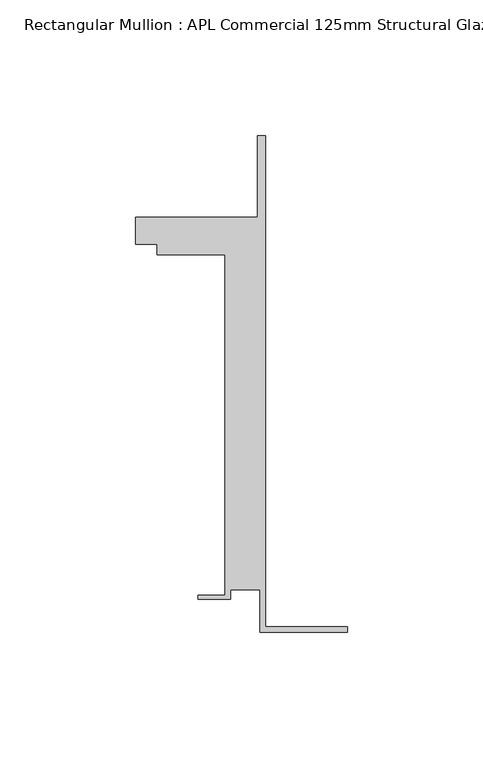
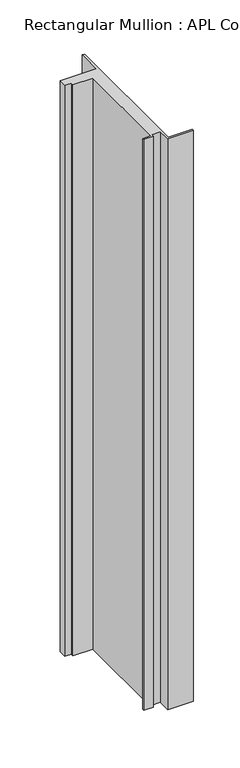
"""IFC4 building model written with IfcOpenShell, lengths in millimetres: member geometry, Rectangular Mullion : APL Commercial 125mm Structural Glaze SubSill."""

from ifc_helpers import new_model, si_unit, frame, origin, place, context, project, spatial, polyline, outline, extrude, source, transform, mapped, element, save


def rectangular_mullion_apl_commercial_125mm_structural_glaze_1e9ff817(model_context):
    return source(origin(), model_context, "Body", "SweptSolid", [
        extrude(outline(polyline([(-32.1465839, -41.25), (-32.1465839, -25.75), (-43.1465839, -25.75), (-43.1465839, -29.25), (-55.1465839, -29.25), (-55.1465839, -27.75), (-45.1465839, -27.75), (-45.1465839, 97.75), (-70.1466122, 97.75), (-70.1466122, 101.75), (-78.1466122, 101.75), (-78.1466122, 111.75), (-33.1466122, 111.75), (-33.1466122, 141.75), (-30.1465839, 141.75), (-30.1465839, -39.25), (0.0, -39.25), (0.0, -41.25), (-32.1465839, -41.25)])), frame((0.0, 0.0, -754.103074), z_axis=(0.0, 0.0, 1.0), x_axis=(1.0, 0.0, 0.0)), (0.0, 0.0, 1.0), 754.103074),
    ])


if __name__ == "__main__":
    model = new_model("IFC4")
    model_context = context("Model", 3, world=origin())
    ifc_project = project(units=[si_unit("LENGTHUNIT", "METRE", prefix="MILLI")], contexts=[model_context])
    site = spatial("IfcSite", under=ifc_project)
    building = spatial("IfcBuilding", under=site)
    placement = place(None, origin())
    rectangular_mullion_apl_commercial_125mm_structural_glaze_shape = rectangular_mullion_apl_commercial_125mm_structural_glaze_1e9ff817(model_context)
    element("IfcMember", 1, ObjectType="Rectangular Mullion : APL Commercial 125mm Structural Glaze SubSill", at=placement, inside=building, context=model_context, shape_type="MappedRepresentation", body=[
        mapped(rectangular_mullion_apl_commercial_125mm_structural_glaze_shape, transform((0.0, 0.0, 0.0), x_axis=(1.0, 0.0, 0.0), y_axis=(0.0, 1.0, 0.0), z_axis=(0.0, 0.0, 1.0))),
    ])
    save(model, "model.ifc")
